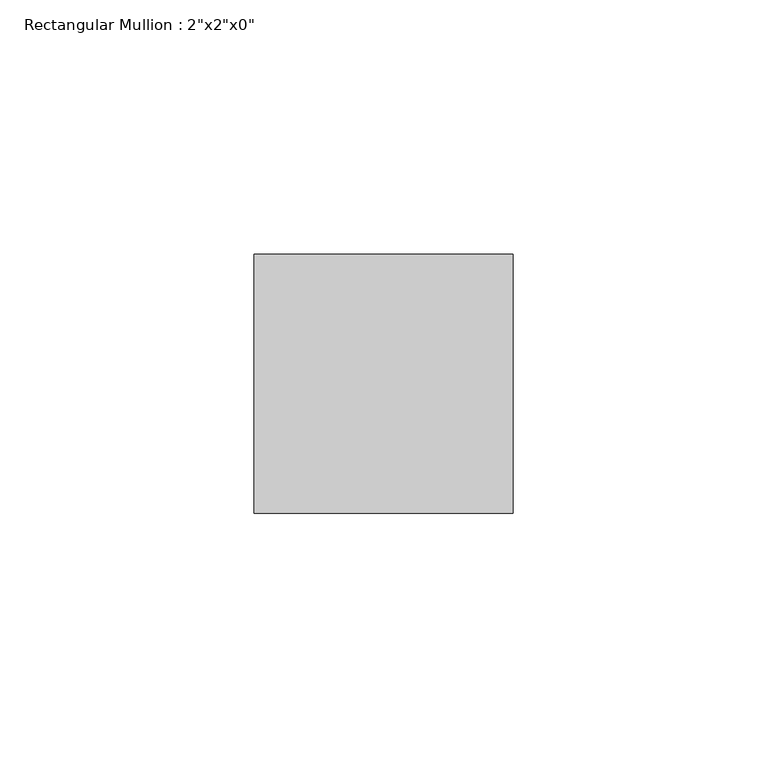
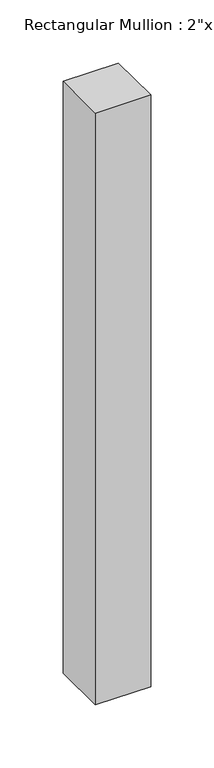
"""IFC4 building model written with IfcOpenShell, lengths in millimetres: member geometry."""

from ifc_helpers import new_model, si_unit, frame, origin, place, context, project, spatial, polyline, outline, extrude, source, transform, mapped, element, save


def member_ae8d2dd1(model_context):
    return source(origin(), model_context, "Body", "SweptSolid", [
        extrude(outline(polyline([(0.0, 25.4), (0.0, -25.4), (-50.8, -25.4), (-50.8, 25.4), (0.0, 25.4)])), frame((0.0, 0.0, -573.0008804), z_axis=(0.0, 0.0, 1.0), x_axis=(1.0, 0.0, 0.0)), (0.0, 0.0, 1.0), 573.0008804),
    ])


if __name__ == "__main__":
    model = new_model("IFC4")
    model_context = context("Model", 3, world=origin())
    ifc_project = project(units=[si_unit("LENGTHUNIT", "METRE", prefix="MILLI")], contexts=[model_context])
    site = spatial("IfcSite", under=ifc_project)
    building = spatial("IfcBuilding", under=site)
    placement = place(None, origin())
    member_shape = member_ae8d2dd1(model_context)
    element("IfcMember", 1, ObjectType="Rectangular Mullion : 2\"x2\"x0\"", at=placement, inside=building, context=model_context, shape_type="MappedRepresentation", body=[
        mapped(member_shape, transform((0.0, 0.0, 0.0), x_axis=(1.0, 0.0, 0.0), y_axis=(0.0, 1.0, 0.0), z_axis=(0.0, 0.0, 1.0))),
    ])
    save(model, "model.ifc")
